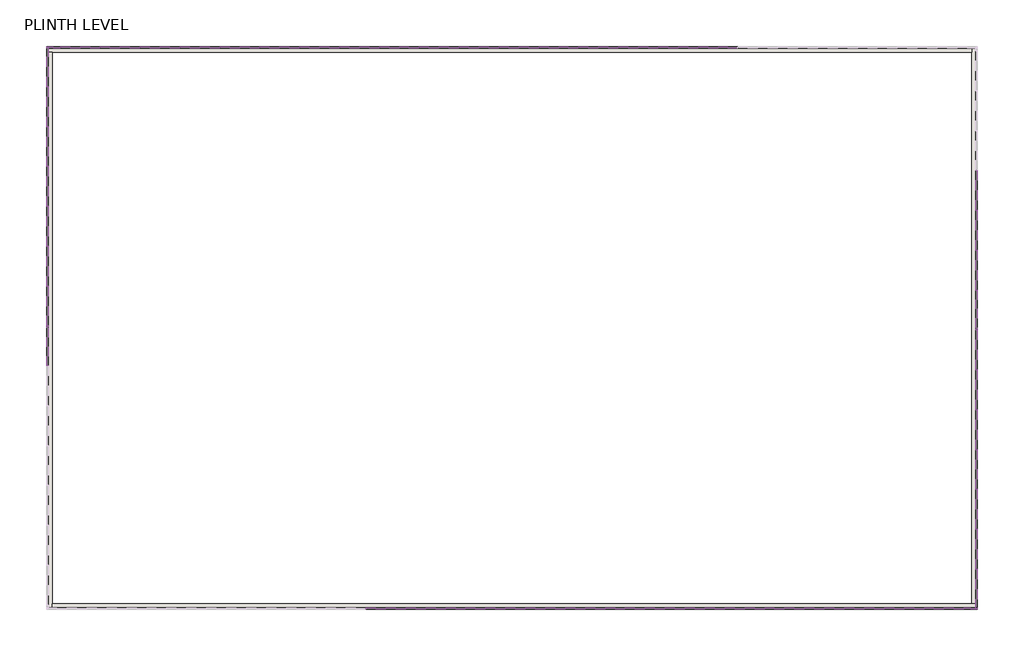
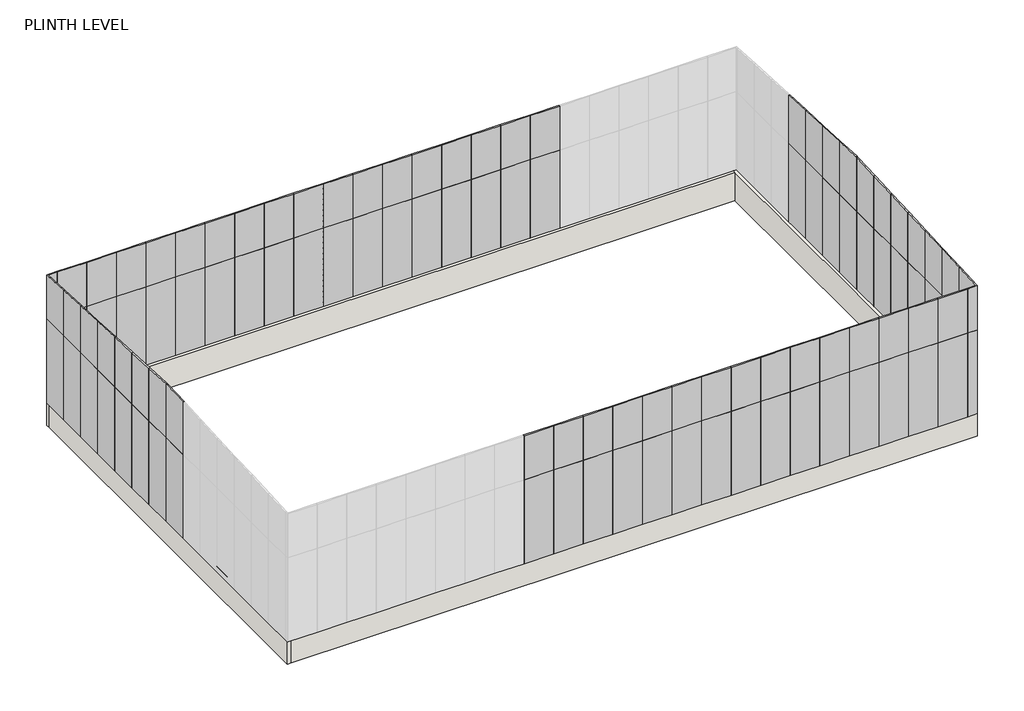
# One storey, part 3 of 10: 106 plates, 4 walls.
"""IFC4 building model written with IfcOpenShell, lengths in millimetres."""

import ifcopenshell
import ifcopenshell.guid

model = None  # the IFC model being written
_history = None  # IfcOwnerHistory: only IFC2X3 demands one
_inside = {}  # id of a spatial element -> (the spatial element, [elements in it])
_under = {}  # id of a project, library or spatial element -> (it, [spatial elements below it])
_declared = {}  # id of a project -> (the project, [libraries it declares])
_typed = {}  # id of a type object -> (the type object, [elements of that type])
_made_of = {}  # id of a material, layer set ... -> (it, [elements and type objects made of it])


def new_model(schema):
    """Start an empty IFC model of exactly this schema.

    Asked for "IFC4X3", IfcOpenShell would pick the latest addendum, in which some entities
    have other attributes; the version numbers below select the first issue.
    IFC2X3 requires an IfcOwnerHistory on every rooted entity: one is made here for all.
    """
    global model, _history
    if schema == "IFC4X3":
        model = ifcopenshell.file(schema_version=(4, 3, 0, 0))
    else:
        model = ifcopenshell.file(schema=schema)
    _inside.clear()
    _under.clear()
    _declared.clear()
    _typed.clear()
    _made_of.clear()
    _history = None
    if model.schema == "IFC2X3":
        org = make("IfcOrganization", Name="unknown")
        user = make(
            "IfcPersonAndOrganization",
            ThePerson=make("IfcPerson", FamilyName="unknown"),
            TheOrganization=org,
        )
        app = make(
            "IfcApplication",
            ApplicationDeveloper=org,
            Version="unknown",
            ApplicationFullName="unknown",
            ApplicationIdentifier="unknown",
        )
        _history = make(
            "IfcOwnerHistory",
            OwningUser=user,
            OwningApplication=app,
            ChangeAction="ADDED",
            CreationDate=0,
        )
    return model


def make(cls, **values):
    """One entity of the class cls with the attributes given. An attribute that is None is left unset."""
    return model.create_entity(
        cls, **{name: value for name, value in values.items() if value is not None}
    )


def rooted(cls, **values):
    """An entity with a GlobalId (a new one), such as an element, a storey or a relation."""
    return make(cls, GlobalId=ifcopenshell.guid.new(), OwnerHistory=_history, **values)


def si_unit(unit_type, name, prefix=None):
    """IfcSIUnit, for example si_unit("LENGTHUNIT", "METRE", prefix="MILLI")."""
    return make("IfcSIUnit", UnitType=unit_type, Prefix=prefix, Name=name)


def assignment(units):
    """IfcUnitAssignment: the units of a project."""
    return None if units is None else make("IfcUnitAssignment", Units=units)


def point(xyz):
    """IfcCartesianPoint."""
    return None if xyz is None else make("IfcCartesianPoint", Coordinates=xyz)


def direction(xyz):
    """IfcDirection."""
    return None if xyz is None else make("IfcDirection", DirectionRatios=xyz)


def frame(location, z_axis=None, x_axis=None):
    """IfcAxis2Placement3D, a coordinate frame: its origin and axes. An axis left out is left unset."""
    return make(
        "IfcAxis2Placement3D",
        Location=point(location),
        Axis=direction(z_axis),
        RefDirection=direction(x_axis),
    )


def origin():
    """The frame at (0, 0, 0) with its axes left unset."""
    return frame((0.0, 0.0, 0.0))


def origin_with_axes():
    """The frame at (0, 0, 0) with the z axis (0, 0, 1) and the x axis (1, 0, 0) written out."""
    return frame((0.0, 0.0, 0.0), z_axis=(0.0, 0.0, 1.0), x_axis=(1.0, 0.0, 0.0))


def place(relative_to, where):
    """IfcLocalPlacement: puts the frame where relative to a parent placement (None: the world)."""
    return make(
        "IfcLocalPlacement", PlacementRelTo=relative_to, RelativePlacement=where
    )


def context(
    kind, dimensions, precision=None, world=None, true_north=None, identifier=None
):
    """IfcGeometricRepresentationContext, for example the 3D "Model" context."""
    return make(
        "IfcGeometricRepresentationContext",
        ContextIdentifier=identifier,
        ContextType=kind,
        CoordinateSpaceDimension=dimensions,
        Precision=precision,
        WorldCoordinateSystem=world,
        TrueNorth=true_north,
    )


def project(units=None, contexts=None):
    """IfcProject with its units and contexts."""
    return rooted(
        "IfcProject",
        Name="project",
        RepresentationContexts=contexts,
        UnitsInContext=assignment(units),
    )


def spatial(cls, under=None, at=None, **own):
    """A site, building, storey or space (cls), placed at a placement, below another one or the project."""
    s = rooted(cls, ObjectPlacement=at, **own)
    if under is not None:
        _under.setdefault(under.id(), (under, []))[1].append(s)
    return s


def polyline(points):
    """IfcPolyline through the points."""
    return make("IfcPolyline", Points=[point(p) for p in points])


def outline(outer, holes=None, kind="AREA"):
    """IfcArbitraryClosedProfileDef: a profile drawn as a closed curve; with holes, ...WithVoids."""
    if holes is None:
        return make("IfcArbitraryClosedProfileDef", ProfileType=kind, OuterCurve=outer)
    return make(
        "IfcArbitraryProfileDefWithVoids",
        ProfileType=kind,
        OuterCurve=outer,
        InnerCurves=holes,
    )


def extrude(swept, where, along, depth):
    """IfcExtrudedAreaSolid: the profile swept, set in the frame where, extruded along a direction by depth."""
    return make(
        "IfcExtrudedAreaSolid",
        SweptArea=swept,
        Position=where,
        ExtrudedDirection=direction(along),
        Depth=depth,
    )


def faces_of(points, faces, orient=None, outer=None):
    """IfcFace entities. A face is a list of loops; a loop is a list of indices into points, from 0.

    orient and outer hold one flag for each loop. By default every Orientation is true, the
    first loop of a face is its IfcFaceOuterBound and the others are IfcFaceBound.
    """
    made = []
    for i, loops in enumerate(faces):
        bounds = []
        for j, loop in enumerate(loops):
            is_outer = j == 0 if outer is None else outer[i][j]
            bounds.append(
                make(
                    "IfcFaceOuterBound" if is_outer else "IfcFaceBound",
                    Bound=make("IfcPolyLoop", Polygon=[points[k] for k in loop]),
                    Orientation=True if orient is None else orient[i][j],
                )
            )
        made.append(make("IfcFace", Bounds=bounds))
    return made


def faceted_brep(points, faces, orient=None, outer=None, voids=None):
    """IfcFacetedBrep: a solid bounded by flat faces; with voids (closed shells), ...WithVoids."""
    shared = [point(p) for p in points]
    hull = make("IfcClosedShell", CfsFaces=faces_of(shared, faces, orient, outer))
    if voids is None:
        return make("IfcFacetedBrep", Outer=hull)
    return make(
        "IfcFacetedBrepWithVoids",
        Outer=hull,
        Voids=[
            make(cls, CfsFaces=faces_of(shared, fs, o, b)) for cls, fs, o, b in voids
        ],
    )


def shape(context_of_items, identifier, shape_type, items):
    """IfcShapeRepresentation: the items that make up one representation, for example the "Body"."""
    return make(
        "IfcShapeRepresentation",
        ContextOfItems=context_of_items,
        RepresentationIdentifier=identifier,
        RepresentationType=shape_type,
        Items=items,
    )


def source(mapping_origin, context_of_items, identifier, shape_type, items):
    """IfcRepresentationMap: a shape defined once, which mapped items show again and again."""
    return make(
        "IfcRepresentationMap",
        MappingOrigin=mapping_origin,
        MappedRepresentation=shape(context_of_items, identifier, shape_type, items),
    )


def transform(
    local_origin,
    x_axis=None,
    y_axis=None,
    z_axis=None,
    scale=None,
    scale2=None,
    scale3=None,
    uniform=True,
):
    """IfcCartesianTransformationOperator3D, or its non-uniform kind. x_axis, y_axis, z_axis: its Axis1, 2, 3."""
    if uniform:
        return make(
            "IfcCartesianTransformationOperator3D",
            Axis1=direction(x_axis),
            Axis2=direction(y_axis),
            LocalOrigin=point(local_origin),
            Scale=scale,
            Axis3=direction(z_axis),
        )
    return make(
        "IfcCartesianTransformationOperator3DnonUniform",
        Axis1=direction(x_axis),
        Axis2=direction(y_axis),
        LocalOrigin=point(local_origin),
        Scale=scale,
        Axis3=direction(z_axis),
        Scale2=scale2,
        Scale3=scale3,
    )


def mapped(mapping_source, mapping_target):
    """IfcMappedItem: shows the shape of a source again, moved by a transform."""
    return make(
        "IfcMappedItem", MappingSource=mapping_source, MappingTarget=mapping_target
    )


def made_of(thing, what):
    """Note that an element or type object is made of a material, layer set ...; save() writes the relation."""
    if what is not None:
        _made_of.setdefault(what.id(), (what, []))[1].append(thing)
    return thing


def element(
    cls,
    number,
    at=None,
    inside=None,
    cuts=None,
    type_object=None,
    material=None,
    context=None,
    identifier="Body",
    shape_type=None,
    held_by="IfcProductDefinitionShape",
    body=None,
    shapes=None,
    **own,
):
    """One element of the class cls, such as IfcWall. Its Tag is "e" and its number.

    at: its placement. inside: the storey or other place that contains it. cuts: it is an
    opening in that element (IfcRelVoidsElement). A single representation is given by context,
    identifier, shape_type and body (its items); several are given by shapes. held_by: the class
    of the entity that holds the representations. save() writes the other relations.
    """
    e = rooted(cls, Tag="e%d" % number, ObjectPlacement=at, **own)
    if body is not None:
        shapes = [shape(context, identifier, shape_type, body)]
    if shapes is not None:
        e.Representation = make(held_by, Representations=shapes)
    if inside is not None:
        _inside.setdefault(inside.id(), (inside, []))[1].append(e)
    if cuts is not None:
        rooted(
            "IfcRelVoidsElement", RelatingBuildingElement=cuts, RelatedOpeningElement=e
        )
    if type_object is not None:
        _typed.setdefault(type_object.id(), (type_object, []))[1].append(e)
    return made_of(e, material)


def aggregate(whole, parts):
    """IfcRelAggregates: a whole, such as a stair, and the parts it consists of."""
    return rooted("IfcRelAggregates", RelatingObject=whole, RelatedObjects=parts)


def save(model, path):
    """Write the relations noted so far, then the file.

    IfcRelAggregates (storeys below a building ...), IfcRelContainedInSpatialStructure (elements
    in a storey), IfcRelDefinesByType, IfcRelAssociatesMaterial and IfcRelDeclares: one each for
    every whole, place, type object, material and project.
    """
    for whole, parts in _under.values():
        aggregate(whole, parts)
    for where, things in _inside.values():
        rooted(
            "IfcRelContainedInSpatialStructure",
            RelatedElements=things,
            RelatingStructure=where,
        )
    for kind, things in _typed.values():
        rooted("IfcRelDefinesByType", RelatedObjects=things, RelatingType=kind)
    for what, things in _made_of.values():
        rooted("IfcRelAssociatesMaterial", RelatedObjects=things, RelatingMaterial=what)
    for by, libraries in _declared.values():
        rooted("IfcRelDeclares", RelatingContext=by, RelatedDefinitions=libraries)
    model.write(path)


def system_panel_sheet_cladding_f69c9acc(model_context):
    return source(origin(), model_context, "Body", "SweptSolid", [
        extrude(outline(polyline([(750.0000002, -10.5), (-750.0000002, -10.5), (-750.0000002, 49.5), (750.0000002, 49.5), (750.0000002, -10.5)])), origin_with_axes(), (0.0, 0.0, 1.0), 4500.0),
    ])


def system_panel_sheet_cladding_d5563303(model_context):
    return source(origin(), model_context, "Body", "SweptSolid", [
        extrude(outline(polyline([(249.9999998, -10.5), (-249.9999998, -10.5), (-249.9999998, 49.5), (249.9999998, 49.5), (249.9999998, -10.5)])), origin_with_axes(), (0.0, 0.0, 1.0), 4500.0),
    ])


def system_panel_sheet_cladding_0a04e845(model_context):
    return source(origin(), model_context, "Body", "SweptSolid", [
        extrude(outline(polyline([(750.0000002, -10.5), (-750.0000002, -10.5), (-750.0000002, 49.5), (750.0000002, 49.5), (750.0000002, -10.5)])), origin_with_axes(), (0.0, 0.0, 1.0), 2365.0),
    ])


def system_panel_sheet_cladding_9e41924c(model_context):
    return source(origin(), model_context, "Body", "SweptSolid", [
        extrude(outline(polyline([(249.9999998, -10.5), (-249.9999998, -10.5), (-249.9999998, 49.5), (249.9999998, 49.5), (249.9999998, -10.5)])), origin_with_axes(), (0.0, 0.0, 1.0), 2365.0),
    ])


def system_panel_sheet_cladding_c7ddaf7f(model_context):
    return source(origin(), model_context, "Body", "SweptSolid", [
        extrude(outline(polyline([(0.0, -750.0000002), (0.0, 750.0000002), (2440.0, 750.0000002), (2365.0, -750.0000002), (0.0, -750.0000002)])), frame((0.0, -10.5, 0.0), z_axis=(0.0, 1.0, 0.0), x_axis=(0.0, 0.0, 1.0)), (0.0, 0.0, 1.0), 60.0),
    ])


def system_panel_sheet_cladding_64caa3a7(model_context):
    return source(origin(), model_context, "Body", "SweptSolid", [
        extrude(outline(polyline([(0.0, -750.0), (0.0, 750.0), (2515.0, 750.0), (2440.0, -750.0), (0.0, -750.0)])), frame((0.0, -10.5, 0.0), z_axis=(0.0, 1.0, 0.0), x_axis=(0.0, 0.0, 1.0)), (0.0, 0.0, 1.0), 60.0),
    ])


def system_panel_sheet_cladding_8c1dbbdf(model_context):
    return source(origin(), model_context, "Body", "SweptSolid", [
        extrude(outline(polyline([(0.0, -750.0), (0.0, 750.0), (2590.0, 750.0), (2515.0, -750.0), (0.0, -750.0)])), frame((0.0, -10.5, 0.0), z_axis=(0.0, 1.0, 0.0), x_axis=(0.0, 0.0, 1.0)), (0.0, 0.0, 1.0), 60.0),
    ])


def system_panel_sheet_cladding_f21c981b(model_context):
    return source(origin(), model_context, "Body", "SweptSolid", [
        extrude(outline(polyline([(0.0, -750.0), (0.0, 750.0), (2665.0, 750.0), (2590.0, -750.0), (0.0, -750.0)])), frame((0.0, -10.5, 0.0), z_axis=(0.0, 1.0, 0.0), x_axis=(0.0, 0.0, 1.0)), (0.0, 0.0, 1.0), 60.0),
    ])


def system_panel_sheet_cladding_f85c4c4a(model_context):
    return source(origin(), model_context, "Body", "SweptSolid", [
        extrude(outline(polyline([(0.0, -750.0), (0.0, 750.0), (2740.0, 750.0), (2665.0, -750.0), (0.0, -750.0)])), frame((0.0, -10.5, 0.0), z_axis=(0.0, 1.0, 0.0), x_axis=(0.0, 0.0, 1.0)), (0.0, 0.0, 1.0), 60.0),
    ])


def system_panel_sheet_cladding_5dbbf2be(model_context):
    return source(origin(), model_context, "Body", "SweptSolid", [
        extrude(outline(polyline([(0.0, -750.0), (0.0, 750.0), (2815.0, 750.0), (2740.0, -750.0), (0.0, -750.0)])), frame((0.0, -10.5, 0.0), z_axis=(0.0, 1.0, 0.0), x_axis=(0.0, 0.0, 1.0)), (0.0, 0.0, 1.0), 60.0),
    ])


def system_panel_sheet_cladding_2bd3230f(model_context):
    return source(origin(), model_context, "Body", "SweptSolid", [
        extrude(outline(polyline([(0.0, -750.0), (0.0, 750.0), (2890.0, 750.0), (2815.0, -750.0), (0.0, -750.0)])), frame((0.0, -10.5, 0.0), z_axis=(0.0, 1.0, 0.0), x_axis=(0.0, 0.0, 1.0)), (0.0, 0.0, 1.0), 60.0),
    ])


def system_panel_sheet_cladding_3ce75783(model_context):
    return source(origin(), model_context, "Body", "SweptSolid", [
        extrude(outline(polyline([(0.0, -750.0), (0.0, 750.0), (2822.5, 750.0), (2893.75, -675.0000003), (2890.0, -750.0), (0.0, -750.0)])), frame((0.0, -10.5, 0.0), z_axis=(0.0, 1.0, 0.0), x_axis=(0.0, 0.0, 1.0)), (0.0, 0.0, 1.0), 60.0),
    ])


def system_panel_sheet_cladding_72dd9af1(model_context):
    return source(origin(), model_context, "Body", "SweptSolid", [
        extrude(outline(polyline([(0.0, -750.0), (0.0, 750.0), (2747.5, 750.0), (2822.5, -750.0), (0.0, -750.0)])), frame((0.0, -10.5, 0.0), z_axis=(0.0, 1.0, 0.0), x_axis=(0.0, 0.0, 1.0)), (0.0, 0.0, 1.0), 60.0),
    ])


def system_panel_sheet_cladding_80c2ac6c(model_context):
    return source(origin(), model_context, "Body", "SweptSolid", [
        extrude(outline(polyline([(0.0, -750.0), (0.0, 750.0), (2672.5, 750.0), (2747.5, -750.0), (0.0, -750.0)])), frame((0.0, -10.5, 0.0), z_axis=(0.0, 1.0, 0.0), x_axis=(0.0, 0.0, 1.0)), (0.0, 0.0, 1.0), 60.0),
    ])


def system_panel_sheet_cladding_369bc51f(model_context):
    return source(origin(), model_context, "Body", "SweptSolid", [
        extrude(outline(polyline([(0.0, -750.0), (0.0, 750.0), (2597.5, 750.0), (2672.5, -750.0), (0.0, -750.0)])), frame((0.0, -10.5, 0.0), z_axis=(0.0, 1.0, 0.0), x_axis=(0.0, 0.0, 1.0)), (0.0, 0.0, 1.0), 60.0),
    ])


model = new_model("IFC4")

# Units and contexts
model_context = context("Model", 3, world=origin())
ifc_project = project(units=[si_unit("LENGTHUNIT", "METRE", prefix="MILLI")], contexts=[model_context])

# Site, building, storey
site = spatial("IfcSite", under=ifc_project)
building = spatial("IfcBuilding", under=site)
storey = spatial("IfcBuildingStorey", under=building, Name="PLINTH LEVEL", Elevation=1200.0)

# Plates
placement = place(None, origin())
system_panel_sheet_cladding_shape = system_panel_sheet_cladding_f69c9acc(model_context)
element("IfcPlate", 1, ObjectType="System Panel : SHEET CLADDING", at=placement, inside=storey, context=model_context, shape_type="MappedRepresentation", body=[
    mapped(system_panel_sheet_cladding_shape, transform((38045.3711601, -132839.3355261, 900.0), x_axis=(0.0, -1.0, 0.0), y_axis=(1.0, 0.0, 0.0), z_axis=(0.0, 0.0, 1.0))),
])
element("IfcPlate", 2, ObjectType="System Panel : SHEET CLADDING", at=placement, inside=storey, context=model_context, shape_type="MappedRepresentation", body=[
    mapped(system_panel_sheet_cladding_shape, transform((73045.3711601, -152489.3355258, 900.0), x_axis=(0.0, 1.0, 0.0), y_axis=(-1.0, 0.0, 0.0), z_axis=(0.0, 0.0, 1.0))),
])
element("IfcPlate", 3, ObjectType="System Panel : SHEET CLADDING", at=placement, inside=storey, context=model_context, shape_type="MappedRepresentation", body=[
    mapped(system_panel_sheet_cladding_shape, transform((50795.3711604, -153239.335526, 900.0), x_axis=(1.0, 0.0, 0.0), y_axis=(0.0, 1.0, 0.0), z_axis=(0.0, 0.0, 1.0))),
])
element("IfcPlate", 4, ObjectType="System Panel : SHEET CLADDING", at=placement, inside=storey, context=model_context, shape_type="MappedRepresentation", body=[
    mapped(system_panel_sheet_cladding_shape, transform((52295.3711604, -153239.335526, 900.0), x_axis=(1.0, 0.0, 0.0), y_axis=(0.0, 1.0, 0.0), z_axis=(0.0, 0.0, 1.0))),
])
element("IfcPlate", 5, ObjectType="System Panel : SHEET CLADDING", at=placement, inside=storey, context=model_context, shape_type="MappedRepresentation", body=[
    mapped(system_panel_sheet_cladding_shape, transform((53795.3711604, -153239.335526, 900.0), x_axis=(1.0, 0.0, 0.0), y_axis=(0.0, 1.0, 0.0), z_axis=(0.0, 0.0, 1.0))),
])
element("IfcPlate", 6, ObjectType="System Panel : SHEET CLADDING", at=placement, inside=storey, context=model_context, shape_type="MappedRepresentation", body=[
    mapped(system_panel_sheet_cladding_shape, transform((55295.3711604, -153239.335526, 900.0), x_axis=(1.0, 0.0, 0.0), y_axis=(0.0, 1.0, 0.0), z_axis=(0.0, 0.0, 1.0))),
])
element("IfcPlate", 7, ObjectType="System Panel : SHEET CLADDING", at=placement, inside=storey, context=model_context, shape_type="MappedRepresentation", body=[
    mapped(system_panel_sheet_cladding_shape, transform((56795.3711604, -153239.335526, 900.0), x_axis=(1.0, 0.0, 0.0), y_axis=(0.0, 1.0, 0.0), z_axis=(0.0, 0.0, 1.0))),
])
element("IfcPlate", 8, ObjectType="System Panel : SHEET CLADDING", at=placement, inside=storey, context=model_context, shape_type="MappedRepresentation", body=[
    mapped(system_panel_sheet_cladding_shape, transform((58295.3711604, -153239.335526, 900.0), x_axis=(1.0, 0.0, 0.0), y_axis=(0.0, 1.0, 0.0), z_axis=(0.0, 0.0, 1.0))),
])
element("IfcPlate", 9, ObjectType="System Panel : SHEET CLADDING", at=placement, inside=storey, context=model_context, shape_type="MappedRepresentation", body=[
    mapped(system_panel_sheet_cladding_shape, transform((59795.3711604, -153239.335526, 900.0), x_axis=(1.0, 0.0, 0.0), y_axis=(0.0, 1.0, 0.0), z_axis=(0.0, 0.0, 1.0))),
])
element("IfcPlate", 10, ObjectType="System Panel : SHEET CLADDING", at=placement, inside=storey, context=model_context, shape_type="MappedRepresentation", body=[
    mapped(system_panel_sheet_cladding_shape, transform((61295.3711604, -153239.335526, 900.0), x_axis=(1.0, 0.0, 0.0), y_axis=(0.0, 1.0, 0.0), z_axis=(0.0, 0.0, 1.0))),
])
element("IfcPlate", 11, ObjectType="System Panel : SHEET CLADDING", at=placement, inside=storey, context=model_context, shape_type="MappedRepresentation", body=[
    mapped(system_panel_sheet_cladding_shape, transform((62795.3711604, -153239.335526, 900.0), x_axis=(1.0, 0.0, 0.0), y_axis=(0.0, 1.0, 0.0), z_axis=(0.0, 0.0, 1.0))),
])
element("IfcPlate", 12, ObjectType="System Panel : SHEET CLADDING", at=placement, inside=storey, context=model_context, shape_type="MappedRepresentation", body=[
    mapped(system_panel_sheet_cladding_shape, transform((64295.3711604, -153239.335526, 900.0), x_axis=(1.0, 0.0, 0.0), y_axis=(0.0, 1.0, 0.0), z_axis=(0.0, 0.0, 1.0))),
])
element("IfcPlate", 13, ObjectType="System Panel : SHEET CLADDING", at=placement, inside=storey, context=model_context, shape_type="MappedRepresentation", body=[
    mapped(system_panel_sheet_cladding_shape, transform((65795.3711604, -153239.335526, 900.0), x_axis=(1.0, 0.0, 0.0), y_axis=(0.0, 1.0, 0.0), z_axis=(0.0, 0.0, 1.0))),
])
element("IfcPlate", 14, ObjectType="System Panel : SHEET CLADDING", at=placement, inside=storey, context=model_context, shape_type="MappedRepresentation", body=[
    mapped(system_panel_sheet_cladding_shape, transform((67295.3711604, -153239.335526, 900.0), x_axis=(1.0, 0.0, 0.0), y_axis=(0.0, 1.0, 0.0), z_axis=(0.0, 0.0, 1.0))),
])
element("IfcPlate", 15, ObjectType="System Panel : SHEET CLADDING", at=placement, inside=storey, context=model_context, shape_type="MappedRepresentation", body=[
    mapped(system_panel_sheet_cladding_shape, transform((68795.3711604, -153239.335526, 900.0), x_axis=(1.0, 0.0, 0.0), y_axis=(0.0, 1.0, 0.0), z_axis=(0.0, 0.0, 1.0))),
])
element("IfcPlate", 16, ObjectType="System Panel : SHEET CLADDING", at=placement, inside=storey, context=model_context, shape_type="MappedRepresentation", body=[
    mapped(system_panel_sheet_cladding_shape, transform((70295.3711604, -153239.335526, 900.0), x_axis=(1.0, 0.0, 0.0), y_axis=(0.0, 1.0, 0.0), z_axis=(0.0, 0.0, 1.0))),
])
element("IfcPlate", 17, ObjectType="System Panel : SHEET CLADDING", at=placement, inside=storey, context=model_context, shape_type="MappedRepresentation", body=[
    mapped(system_panel_sheet_cladding_shape, transform((71795.3711604, -153239.335526, 900.0), x_axis=(1.0, 0.0, 0.0), y_axis=(0.0, 1.0, 0.0), z_axis=(0.0, 0.0, 1.0))),
])
element("IfcPlate", 18, ObjectType="System Panel : SHEET CLADDING", at=placement, inside=storey, context=model_context, shape_type="MappedRepresentation", body=[
    mapped(system_panel_sheet_cladding_shape, transform((38045.3711601, -134339.3355263, 900.0), x_axis=(0.0, -1.0, 0.0), y_axis=(1.0, 0.0, 0.0), z_axis=(0.0, 0.0, 1.0))),
])
element("IfcPlate", 19, ObjectType="System Panel : SHEET CLADDING", at=placement, inside=storey, context=model_context, shape_type="MappedRepresentation", body=[
    mapped(system_panel_sheet_cladding_shape, transform((38045.3711601, -135839.3355263, 900.0), x_axis=(0.0, -1.0, 0.0), y_axis=(1.0, 0.0, 0.0), z_axis=(0.0, 0.0, 1.0))),
])
element("IfcPlate", 20, ObjectType="System Panel : SHEET CLADDING", at=placement, inside=storey, context=model_context, shape_type="MappedRepresentation", body=[
    mapped(system_panel_sheet_cladding_shape, transform((38045.3711601, -137339.3355263, 900.0), x_axis=(0.0, -1.0, 0.0), y_axis=(1.0, 0.0, 0.0), z_axis=(0.0, 0.0, 1.0))),
])
element("IfcPlate", 21, ObjectType="System Panel : SHEET CLADDING", at=placement, inside=storey, context=model_context, shape_type="MappedRepresentation", body=[
    mapped(system_panel_sheet_cladding_shape, transform((38045.3711601, -138839.3355263, 900.0), x_axis=(0.0, -1.0, 0.0), y_axis=(1.0, 0.0, 0.0), z_axis=(0.0, 0.0, 1.0))),
])
element("IfcPlate", 22, ObjectType="System Panel : SHEET CLADDING", at=placement, inside=storey, context=model_context, shape_type="MappedRepresentation", body=[
    mapped(system_panel_sheet_cladding_shape, transform((38045.3711601, -140339.3355263, 900.0), x_axis=(0.0, -1.0, 0.0), y_axis=(1.0, 0.0, 0.0), z_axis=(0.0, 0.0, 1.0))),
])
element("IfcPlate", 23, ObjectType="System Panel : SHEET CLADDING", at=placement, inside=storey, context=model_context, shape_type="MappedRepresentation", body=[
    mapped(system_panel_sheet_cladding_shape, transform((38045.3711601, -141839.3355263, 900.0), x_axis=(0.0, -1.0, 0.0), y_axis=(1.0, 0.0, 0.0), z_axis=(0.0, 0.0, 1.0))),
])
element("IfcPlate", 24, ObjectType="System Panel : SHEET CLADDING", at=placement, inside=storey, context=model_context, shape_type="MappedRepresentation", body=[
    mapped(system_panel_sheet_cladding_shape, transform((38045.3711601, -143339.3355263, 900.0), x_axis=(0.0, -1.0, 0.0), y_axis=(1.0, 0.0, 0.0), z_axis=(0.0, 0.0, 1.0))),
])
element("IfcPlate", 25, ObjectType="System Panel : SHEET CLADDING", at=placement, inside=storey, context=model_context, shape_type="MappedRepresentation", body=[
    mapped(system_panel_sheet_cladding_shape, transform((63295.3711598, -132089.335526, 900.0), x_axis=(-1.0, 0.0, 0.0), y_axis=(0.0, -1.0, 0.0), z_axis=(0.0, 0.0, 1.0))),
])
element("IfcPlate", 26, ObjectType="System Panel : SHEET CLADDING", at=placement, inside=storey, context=model_context, shape_type="MappedRepresentation", body=[
    mapped(system_panel_sheet_cladding_shape, transform((61795.3711598, -132089.335526, 900.0), x_axis=(-1.0, 0.0, 0.0), y_axis=(0.0, -1.0, 0.0), z_axis=(0.0, 0.0, 1.0))),
])
element("IfcPlate", 27, ObjectType="System Panel : SHEET CLADDING", at=placement, inside=storey, context=model_context, shape_type="MappedRepresentation", body=[
    mapped(system_panel_sheet_cladding_shape, transform((60295.3711598, -132089.335526, 900.0), x_axis=(-1.0, 0.0, 0.0), y_axis=(0.0, -1.0, 0.0), z_axis=(0.0, 0.0, 1.0))),
])
element("IfcPlate", 28, ObjectType="System Panel : SHEET CLADDING", at=placement, inside=storey, context=model_context, shape_type="MappedRepresentation", body=[
    mapped(system_panel_sheet_cladding_shape, transform((58795.3711598, -132089.335526, 900.0), x_axis=(-1.0, 0.0, 0.0), y_axis=(0.0, -1.0, 0.0), z_axis=(0.0, 0.0, 1.0))),
])
element("IfcPlate", 29, ObjectType="System Panel : SHEET CLADDING", at=placement, inside=storey, context=model_context, shape_type="MappedRepresentation", body=[
    mapped(system_panel_sheet_cladding_shape, transform((57295.3711598, -132089.335526, 900.0), x_axis=(-1.0, 0.0, 0.0), y_axis=(0.0, -1.0, 0.0), z_axis=(0.0, 0.0, 1.0))),
])
element("IfcPlate", 30, ObjectType="System Panel : SHEET CLADDING", at=placement, inside=storey, context=model_context, shape_type="MappedRepresentation", body=[
    mapped(system_panel_sheet_cladding_shape, transform((55795.3711598, -132089.335526, 900.0), x_axis=(-1.0, 0.0, 0.0), y_axis=(0.0, -1.0, 0.0), z_axis=(0.0, 0.0, 1.0))),
])
element("IfcPlate", 31, ObjectType="System Panel : SHEET CLADDING", at=placement, inside=storey, context=model_context, shape_type="MappedRepresentation", body=[
    mapped(system_panel_sheet_cladding_shape, transform((54295.3711598, -132089.335526, 900.0), x_axis=(-1.0, 0.0, 0.0), y_axis=(0.0, -1.0, 0.0), z_axis=(0.0, 0.0, 1.0))),
])
element("IfcPlate", 32, ObjectType="System Panel : SHEET CLADDING", at=placement, inside=storey, context=model_context, shape_type="MappedRepresentation", body=[
    mapped(system_panel_sheet_cladding_shape, transform((52795.3711598, -132089.335526, 900.0), x_axis=(-1.0, 0.0, 0.0), y_axis=(0.0, -1.0, 0.0), z_axis=(0.0, 0.0, 1.0))),
])
element("IfcPlate", 33, ObjectType="System Panel : SHEET CLADDING", at=placement, inside=storey, context=model_context, shape_type="MappedRepresentation", body=[
    mapped(system_panel_sheet_cladding_shape, transform((51295.3711598, -132089.335526, 900.0), x_axis=(-1.0, 0.0, 0.0), y_axis=(0.0, -1.0, 0.0), z_axis=(0.0, 0.0, 1.0))),
])
element("IfcPlate", 34, ObjectType="System Panel : SHEET CLADDING", at=placement, inside=storey, context=model_context, shape_type="MappedRepresentation", body=[
    mapped(system_panel_sheet_cladding_shape, transform((49795.3711598, -132089.335526, 900.0), x_axis=(-1.0, 0.0, 0.0), y_axis=(0.0, -1.0, 0.0), z_axis=(0.0, 0.0, 1.0))),
])
element("IfcPlate", 35, ObjectType="System Panel : SHEET CLADDING", at=placement, inside=storey, context=model_context, shape_type="MappedRepresentation", body=[
    mapped(system_panel_sheet_cladding_shape, transform((48295.3711598, -132089.335526, 900.0), x_axis=(-1.0, 0.0, 0.0), y_axis=(0.0, -1.0, 0.0), z_axis=(0.0, 0.0, 1.0))),
])
element("IfcPlate", 36, ObjectType="System Panel : SHEET CLADDING", at=placement, inside=storey, context=model_context, shape_type="MappedRepresentation", body=[
    mapped(system_panel_sheet_cladding_shape, transform((46795.3711598, -132089.335526, 900.0), x_axis=(-1.0, 0.0, 0.0), y_axis=(0.0, -1.0, 0.0), z_axis=(0.0, 0.0, 1.0))),
])
element("IfcPlate", 37, ObjectType="System Panel : SHEET CLADDING", at=placement, inside=storey, context=model_context, shape_type="MappedRepresentation", body=[
    mapped(system_panel_sheet_cladding_shape, transform((45295.3711598, -132089.335526, 900.0), x_axis=(-1.0, 0.0, 0.0), y_axis=(0.0, -1.0, 0.0), z_axis=(0.0, 0.0, 1.0))),
])
element("IfcPlate", 38, ObjectType="System Panel : SHEET CLADDING", at=placement, inside=storey, context=model_context, shape_type="MappedRepresentation", body=[
    mapped(system_panel_sheet_cladding_shape, transform((43795.3711598, -132089.335526, 900.0), x_axis=(-1.0, 0.0, 0.0), y_axis=(0.0, -1.0, 0.0), z_axis=(0.0, 0.0, 1.0))),
])
element("IfcPlate", 39, ObjectType="System Panel : SHEET CLADDING", at=placement, inside=storey, context=model_context, shape_type="MappedRepresentation", body=[
    mapped(system_panel_sheet_cladding_shape, transform((42295.3711598, -132089.335526, 900.0), x_axis=(-1.0, 0.0, 0.0), y_axis=(0.0, -1.0, 0.0), z_axis=(0.0, 0.0, 1.0))),
])
element("IfcPlate", 40, ObjectType="System Panel : SHEET CLADDING", at=placement, inside=storey, context=model_context, shape_type="MappedRepresentation", body=[
    mapped(system_panel_sheet_cladding_shape, transform((40795.3711598, -132089.335526, 900.0), x_axis=(-1.0, 0.0, 0.0), y_axis=(0.0, -1.0, 0.0), z_axis=(0.0, 0.0, 1.0))),
])
element("IfcPlate", 41, ObjectType="System Panel : SHEET CLADDING", at=placement, inside=storey, context=model_context, shape_type="MappedRepresentation", body=[
    mapped(system_panel_sheet_cladding_shape, transform((39295.3711598, -132089.335526, 900.0), x_axis=(-1.0, 0.0, 0.0), y_axis=(0.0, -1.0, 0.0), z_axis=(0.0, 0.0, 1.0))),
])
element("IfcPlate", 42, ObjectType="System Panel : SHEET CLADDING", at=placement, inside=storey, context=model_context, shape_type="MappedRepresentation", body=[
    mapped(system_panel_sheet_cladding_shape, transform((73045.3711601, -150989.3355257, 900.0), x_axis=(0.0, 1.0, 0.0), y_axis=(-1.0, 0.0, 0.0), z_axis=(0.0, 0.0, 1.0))),
])
element("IfcPlate", 43, ObjectType="System Panel : SHEET CLADDING", at=placement, inside=storey, context=model_context, shape_type="MappedRepresentation", body=[
    mapped(system_panel_sheet_cladding_shape, transform((73045.3711601, -149489.3355257, 900.0), x_axis=(0.0, 1.0, 0.0), y_axis=(-1.0, 0.0, 0.0), z_axis=(0.0, 0.0, 1.0))),
])
element("IfcPlate", 44, ObjectType="System Panel : SHEET CLADDING", at=placement, inside=storey, context=model_context, shape_type="MappedRepresentation", body=[
    mapped(system_panel_sheet_cladding_shape, transform((73045.3711601, -147989.3355257, 900.0), x_axis=(0.0, 1.0, 0.0), y_axis=(-1.0, 0.0, 0.0), z_axis=(0.0, 0.0, 1.0))),
])
element("IfcPlate", 45, ObjectType="System Panel : SHEET CLADDING", at=placement, inside=storey, context=model_context, shape_type="MappedRepresentation", body=[
    mapped(system_panel_sheet_cladding_shape, transform((73045.3711601, -146489.3355257, 900.0), x_axis=(0.0, 1.0, 0.0), y_axis=(-1.0, 0.0, 0.0), z_axis=(0.0, 0.0, 1.0))),
])
element("IfcPlate", 46, ObjectType="System Panel : SHEET CLADDING", at=placement, inside=storey, context=model_context, shape_type="MappedRepresentation", body=[
    mapped(system_panel_sheet_cladding_shape, transform((73045.3711601, -144989.3355257, 900.0), x_axis=(0.0, 1.0, 0.0), y_axis=(-1.0, 0.0, 0.0), z_axis=(0.0, 0.0, 1.0))),
])
element("IfcPlate", 47, ObjectType="System Panel : SHEET CLADDING", at=placement, inside=storey, context=model_context, shape_type="MappedRepresentation", body=[
    mapped(system_panel_sheet_cladding_shape, transform((73045.3711601, -143489.3355257, 900.0), x_axis=(0.0, 1.0, 0.0), y_axis=(-1.0, 0.0, 0.0), z_axis=(0.0, 0.0, 1.0))),
])
element("IfcPlate", 48, ObjectType="System Panel : SHEET CLADDING", at=placement, inside=storey, context=model_context, shape_type="MappedRepresentation", body=[
    mapped(system_panel_sheet_cladding_shape, transform((73045.3711601, -141989.3355257, 900.0), x_axis=(0.0, 1.0, 0.0), y_axis=(-1.0, 0.0, 0.0), z_axis=(0.0, 0.0, 1.0))),
])
element("IfcPlate", 49, ObjectType="System Panel : SHEET CLADDING", at=placement, inside=storey, context=model_context, shape_type="MappedRepresentation", body=[
    mapped(system_panel_sheet_cladding_shape, transform((73045.3711601, -140489.3355257, 900.0), x_axis=(0.0, 1.0, 0.0), y_axis=(-1.0, 0.0, 0.0), z_axis=(0.0, 0.0, 1.0))),
])
element("IfcPlate", 50, ObjectType="System Panel : SHEET CLADDING", at=placement, inside=storey, context=model_context, shape_type="MappedRepresentation", body=[
    mapped(system_panel_sheet_cladding_shape, transform((73045.3711601, -138989.3355257, 900.0), x_axis=(0.0, 1.0, 0.0), y_axis=(-1.0, 0.0, 0.0), z_axis=(0.0, 0.0, 1.0))),
])
element("IfcPlate", 51, ObjectType="System Panel : SHEET CLADDING", at=placement, inside=storey, context=model_context, shape_type="MappedRepresentation", body=[
    mapped(system_panel_sheet_cladding_shape, transform((73045.3711601, -137489.3355257, 900.0), x_axis=(0.0, 1.0, 0.0), y_axis=(-1.0, 0.0, 0.0), z_axis=(0.0, 0.0, 1.0))),
])
system_panel_sheet_cladding_2_shape = system_panel_sheet_cladding_d5563303(model_context)
element("IfcPlate", 52, ObjectType="System Panel : SHEET CLADDING", at=placement, inside=storey, context=model_context, shape_type="MappedRepresentation", body=[
    mapped(system_panel_sheet_cladding_2_shape, transform((72795.3711603, -153239.335526, 900.0), x_axis=(1.0, 0.0, 0.0), y_axis=(0.0, 1.0, 0.0), z_axis=(0.0, 0.0, 1.0))),
])
element("IfcPlate", 53, ObjectType="System Panel : SHEET CLADDING", at=placement, inside=storey, context=model_context, shape_type="MappedRepresentation", body=[
    mapped(system_panel_sheet_cladding_2_shape, transform((38295.37116, -132089.335526, 900.0), x_axis=(-1.0, 0.0, 0.0), y_axis=(0.0, -1.0, 0.0), z_axis=(0.0, 0.0, 1.0))),
])
system_panel_sheet_cladding_3_shape = system_panel_sheet_cladding_0a04e845(model_context)
element("IfcPlate", 54, ObjectType="System Panel : SHEET CLADDING", at=placement, inside=storey, context=model_context, shape_type="MappedRepresentation", body=[
    mapped(system_panel_sheet_cladding_3_shape, transform((50795.3711604, -153239.335526, 5400.0), x_axis=(1.0, 0.0, 0.0), y_axis=(0.0, 1.0, 0.0), z_axis=(0.0, 0.0, 1.0))),
])
element("IfcPlate", 55, ObjectType="System Panel : SHEET CLADDING", at=placement, inside=storey, context=model_context, shape_type="MappedRepresentation", body=[
    mapped(system_panel_sheet_cladding_3_shape, transform((52295.3711604, -153239.335526, 5400.0), x_axis=(1.0, 0.0, 0.0), y_axis=(0.0, 1.0, 0.0), z_axis=(0.0, 0.0, 1.0))),
])
element("IfcPlate", 56, ObjectType="System Panel : SHEET CLADDING", at=placement, inside=storey, context=model_context, shape_type="MappedRepresentation", body=[
    mapped(system_panel_sheet_cladding_3_shape, transform((53795.3711604, -153239.335526, 5400.0), x_axis=(1.0, 0.0, 0.0), y_axis=(0.0, 1.0, 0.0), z_axis=(0.0, 0.0, 1.0))),
])
element("IfcPlate", 57, ObjectType="System Panel : SHEET CLADDING", at=placement, inside=storey, context=model_context, shape_type="MappedRepresentation", body=[
    mapped(system_panel_sheet_cladding_3_shape, transform((55295.3711604, -153239.335526, 5400.0), x_axis=(1.0, 0.0, 0.0), y_axis=(0.0, 1.0, 0.0), z_axis=(0.0, 0.0, 1.0))),
])
element("IfcPlate", 58, ObjectType="System Panel : SHEET CLADDING", at=placement, inside=storey, context=model_context, shape_type="MappedRepresentation", body=[
    mapped(system_panel_sheet_cladding_3_shape, transform((56795.3711604, -153239.335526, 5400.0), x_axis=(1.0, 0.0, 0.0), y_axis=(0.0, 1.0, 0.0), z_axis=(0.0, 0.0, 1.0))),
])
element("IfcPlate", 59, ObjectType="System Panel : SHEET CLADDING", at=placement, inside=storey, context=model_context, shape_type="MappedRepresentation", body=[
    mapped(system_panel_sheet_cladding_3_shape, transform((58295.3711604, -153239.335526, 5400.0), x_axis=(1.0, 0.0, 0.0), y_axis=(0.0, 1.0, 0.0), z_axis=(0.0, 0.0, 1.0))),
])
element("IfcPlate", 60, ObjectType="System Panel : SHEET CLADDING", at=placement, inside=storey, context=model_context, shape_type="MappedRepresentation", body=[
    mapped(system_panel_sheet_cladding_3_shape, transform((59795.3711604, -153239.335526, 5400.0), x_axis=(1.0, 0.0, 0.0), y_axis=(0.0, 1.0, 0.0), z_axis=(0.0, 0.0, 1.0))),
])
element("IfcPlate", 61, ObjectType="System Panel : SHEET CLADDING", at=placement, inside=storey, context=model_context, shape_type="MappedRepresentation", body=[
    mapped(system_panel_sheet_cladding_3_shape, transform((61295.3711604, -153239.335526, 5400.0), x_axis=(1.0, 0.0, 0.0), y_axis=(0.0, 1.0, 0.0), z_axis=(0.0, 0.0, 1.0))),
])
element("IfcPlate", 62, ObjectType="System Panel : SHEET CLADDING", at=placement, inside=storey, context=model_context, shape_type="MappedRepresentation", body=[
    mapped(system_panel_sheet_cladding_3_shape, transform((62795.3711604, -153239.335526, 5400.0), x_axis=(1.0, 0.0, 0.0), y_axis=(0.0, 1.0, 0.0), z_axis=(0.0, 0.0, 1.0))),
])
element("IfcPlate", 63, ObjectType="System Panel : SHEET CLADDING", at=placement, inside=storey, context=model_context, shape_type="MappedRepresentation", body=[
    mapped(system_panel_sheet_cladding_3_shape, transform((64295.3711604, -153239.335526, 5400.0), x_axis=(1.0, 0.0, 0.0), y_axis=(0.0, 1.0, 0.0), z_axis=(0.0, 0.0, 1.0))),
])
element("IfcPlate", 64, ObjectType="System Panel : SHEET CLADDING", at=placement, inside=storey, context=model_context, shape_type="MappedRepresentation", body=[
    mapped(system_panel_sheet_cladding_3_shape, transform((65795.3711604, -153239.335526, 5400.0), x_axis=(1.0, 0.0, 0.0), y_axis=(0.0, 1.0, 0.0), z_axis=(0.0, 0.0, 1.0))),
])
element("IfcPlate", 65, ObjectType="System Panel : SHEET CLADDING", at=placement, inside=storey, context=model_context, shape_type="MappedRepresentation", body=[
    mapped(system_panel_sheet_cladding_3_shape, transform((67295.3711604, -153239.335526, 5400.0), x_axis=(1.0, 0.0, 0.0), y_axis=(0.0, 1.0, 0.0), z_axis=(0.0, 0.0, 1.0))),
])
element("IfcPlate", 66, ObjectType="System Panel : SHEET CLADDING", at=placement, inside=storey, context=model_context, shape_type="MappedRepresentation", body=[
    mapped(system_panel_sheet_cladding_3_shape, transform((68795.3711604, -153239.335526, 5400.0), x_axis=(1.0, 0.0, 0.0), y_axis=(0.0, 1.0, 0.0), z_axis=(0.0, 0.0, 1.0))),
])
element("IfcPlate", 67, ObjectType="System Panel : SHEET CLADDING", at=placement, inside=storey, context=model_context, shape_type="MappedRepresentation", body=[
    mapped(system_panel_sheet_cladding_3_shape, transform((70295.3711604, -153239.335526, 5400.0), x_axis=(1.0, 0.0, 0.0), y_axis=(0.0, 1.0, 0.0), z_axis=(0.0, 0.0, 1.0))),
])
element("IfcPlate", 68, ObjectType="System Panel : SHEET CLADDING", at=placement, inside=storey, context=model_context, shape_type="MappedRepresentation", body=[
    mapped(system_panel_sheet_cladding_3_shape, transform((71795.3711604, -153239.335526, 5400.0), x_axis=(1.0, 0.0, 0.0), y_axis=(0.0, 1.0, 0.0), z_axis=(0.0, 0.0, 1.0))),
])
element("IfcPlate", 69, ObjectType="System Panel : SHEET CLADDING", at=placement, inside=storey, context=model_context, shape_type="MappedRepresentation", body=[
    mapped(system_panel_sheet_cladding_3_shape, transform((63295.3711598, -132089.335526, 5400.0), x_axis=(-1.0, 0.0, 0.0), y_axis=(0.0, -1.0, 0.0), z_axis=(0.0, 0.0, 1.0))),
])
element("IfcPlate", 70, ObjectType="System Panel : SHEET CLADDING", at=placement, inside=storey, context=model_context, shape_type="MappedRepresentation", body=[
    mapped(system_panel_sheet_cladding_3_shape, transform((61795.3711598, -132089.335526, 5400.0), x_axis=(-1.0, 0.0, 0.0), y_axis=(0.0, -1.0, 0.0), z_axis=(0.0, 0.0, 1.0))),
])
element("IfcPlate", 71, ObjectType="System Panel : SHEET CLADDING", at=placement, inside=storey, context=model_context, shape_type="MappedRepresentation", body=[
    mapped(system_panel_sheet_cladding_3_shape, transform((60295.3711598, -132089.335526, 5400.0), x_axis=(-1.0, 0.0, 0.0), y_axis=(0.0, -1.0, 0.0), z_axis=(0.0, 0.0, 1.0))),
])
element("IfcPlate", 72, ObjectType="System Panel : SHEET CLADDING", at=placement, inside=storey, context=model_context, shape_type="MappedRepresentation", body=[
    mapped(system_panel_sheet_cladding_3_shape, transform((58795.3711598, -132089.335526, 5400.0), x_axis=(-1.0, 0.0, 0.0), y_axis=(0.0, -1.0, 0.0), z_axis=(0.0, 0.0, 1.0))),
])
element("IfcPlate", 73, ObjectType="System Panel : SHEET CLADDING", at=placement, inside=storey, context=model_context, shape_type="MappedRepresentation", body=[
    mapped(system_panel_sheet_cladding_3_shape, transform((57295.3711598, -132089.335526, 5400.0), x_axis=(-1.0, 0.0, 0.0), y_axis=(0.0, -1.0, 0.0), z_axis=(0.0, 0.0, 1.0))),
])
element("IfcPlate", 74, ObjectType="System Panel : SHEET CLADDING", at=placement, inside=storey, context=model_context, shape_type="MappedRepresentation", body=[
    mapped(system_panel_sheet_cladding_3_shape, transform((55795.3711598, -132089.335526, 5400.0), x_axis=(-1.0, 0.0, 0.0), y_axis=(0.0, -1.0, 0.0), z_axis=(0.0, 0.0, 1.0))),
])
element("IfcPlate", 75, ObjectType="System Panel : SHEET CLADDING", at=placement, inside=storey, context=model_context, shape_type="MappedRepresentation", body=[
    mapped(system_panel_sheet_cladding_3_shape, transform((54295.3711598, -132089.335526, 5400.0), x_axis=(-1.0, 0.0, 0.0), y_axis=(0.0, -1.0, 0.0), z_axis=(0.0, 0.0, 1.0))),
])
element("IfcPlate", 76, ObjectType="System Panel : SHEET CLADDING", at=placement, inside=storey, context=model_context, shape_type="MappedRepresentation", body=[
    mapped(system_panel_sheet_cladding_3_shape, transform((52795.3711598, -132089.335526, 5400.0), x_axis=(-1.0, 0.0, 0.0), y_axis=(0.0, -1.0, 0.0), z_axis=(0.0, 0.0, 1.0))),
])
element("IfcPlate", 77, ObjectType="System Panel : SHEET CLADDING", at=placement, inside=storey, context=model_context, shape_type="MappedRepresentation", body=[
    mapped(system_panel_sheet_cladding_3_shape, transform((51295.3711598, -132089.335526, 5400.0), x_axis=(-1.0, 0.0, 0.0), y_axis=(0.0, -1.0, 0.0), z_axis=(0.0, 0.0, 1.0))),
])
element("IfcPlate", 78, ObjectType="System Panel : SHEET CLADDING", at=placement, inside=storey, context=model_context, shape_type="MappedRepresentation", body=[
    mapped(system_panel_sheet_cladding_3_shape, transform((49795.3711598, -132089.335526, 5400.0), x_axis=(-1.0, 0.0, 0.0), y_axis=(0.0, -1.0, 0.0), z_axis=(0.0, 0.0, 1.0))),
])
element("IfcPlate", 79, ObjectType="System Panel : SHEET CLADDING", at=placement, inside=storey, context=model_context, shape_type="MappedRepresentation", body=[
    mapped(system_panel_sheet_cladding_3_shape, transform((48295.3711598, -132089.335526, 5400.0), x_axis=(-1.0, 0.0, 0.0), y_axis=(0.0, -1.0, 0.0), z_axis=(0.0, 0.0, 1.0))),
])
element("IfcPlate", 80, ObjectType="System Panel : SHEET CLADDING", at=placement, inside=storey, context=model_context, shape_type="MappedRepresentation", body=[
    mapped(system_panel_sheet_cladding_3_shape, transform((46795.3711598, -132089.335526, 5400.0), x_axis=(-1.0, 0.0, 0.0), y_axis=(0.0, -1.0, 0.0), z_axis=(0.0, 0.0, 1.0))),
])
element("IfcPlate", 81, ObjectType="System Panel : SHEET CLADDING", at=placement, inside=storey, context=model_context, shape_type="MappedRepresentation", body=[
    mapped(system_panel_sheet_cladding_3_shape, transform((45295.3711598, -132089.335526, 5400.0), x_axis=(-1.0, 0.0, 0.0), y_axis=(0.0, -1.0, 0.0), z_axis=(0.0, 0.0, 1.0))),
])
element("IfcPlate", 82, ObjectType="System Panel : SHEET CLADDING", at=placement, inside=storey, context=model_context, shape_type="MappedRepresentation", body=[
    mapped(system_panel_sheet_cladding_3_shape, transform((43795.3711598, -132089.335526, 5400.0), x_axis=(-1.0, 0.0, 0.0), y_axis=(0.0, -1.0, 0.0), z_axis=(0.0, 0.0, 1.0))),
])
element("IfcPlate", 83, ObjectType="System Panel : SHEET CLADDING", at=placement, inside=storey, context=model_context, shape_type="MappedRepresentation", body=[
    mapped(system_panel_sheet_cladding_3_shape, transform((42295.3711598, -132089.335526, 5400.0), x_axis=(-1.0, 0.0, 0.0), y_axis=(0.0, -1.0, 0.0), z_axis=(0.0, 0.0, 1.0))),
])
element("IfcPlate", 84, ObjectType="System Panel : SHEET CLADDING", at=placement, inside=storey, context=model_context, shape_type="MappedRepresentation", body=[
    mapped(system_panel_sheet_cladding_3_shape, transform((40795.3711598, -132089.335526, 5400.0), x_axis=(-1.0, 0.0, 0.0), y_axis=(0.0, -1.0, 0.0), z_axis=(0.0, 0.0, 1.0))),
])
element("IfcPlate", 85, ObjectType="System Panel : SHEET CLADDING", at=placement, inside=storey, context=model_context, shape_type="MappedRepresentation", body=[
    mapped(system_panel_sheet_cladding_3_shape, transform((39295.3711598, -132089.335526, 5400.0), x_axis=(-1.0, 0.0, 0.0), y_axis=(0.0, -1.0, 0.0), z_axis=(0.0, 0.0, 1.0))),
])
system_panel_sheet_cladding_4_shape = system_panel_sheet_cladding_9e41924c(model_context)
element("IfcPlate", 86, ObjectType="System Panel : SHEET CLADDING", at=placement, inside=storey, context=model_context, shape_type="MappedRepresentation", body=[
    mapped(system_panel_sheet_cladding_4_shape, transform((72795.3711603, -153239.335526, 5400.0), x_axis=(1.0, 0.0, 0.0), y_axis=(0.0, 1.0, 0.0), z_axis=(0.0, 0.0, 1.0))),
])
element("IfcPlate", 87, ObjectType="System Panel : SHEET CLADDING", at=placement, inside=storey, context=model_context, shape_type="MappedRepresentation", body=[
    mapped(system_panel_sheet_cladding_4_shape, transform((38295.37116, -132089.335526, 5400.0), x_axis=(-1.0, 0.0, 0.0), y_axis=(0.0, -1.0, 0.0), z_axis=(0.0, 0.0, 1.0))),
])
system_panel_sheet_cladding_5_shape = system_panel_sheet_cladding_c7ddaf7f(model_context)
element("IfcPlate", 88, ObjectType="System Panel : SHEET CLADDING", at=placement, inside=storey, context=model_context, shape_type="MappedRepresentation", body=[
    mapped(system_panel_sheet_cladding_5_shape, transform((38045.3711601, -132839.3355261, 5400.0), x_axis=(0.0, -1.0, 0.0), y_axis=(1.0, 0.0, 0.0), z_axis=(0.0, 0.0, 1.0))),
])
element("IfcPlate", 89, ObjectType="System Panel : SHEET CLADDING", at=placement, inside=storey, context=model_context, shape_type="MappedRepresentation", body=[
    mapped(system_panel_sheet_cladding_5_shape, transform((73045.3711601, -152489.3355258, 5400.0), x_axis=(0.0, 1.0, 0.0), y_axis=(-1.0, 0.0, 0.0), z_axis=(0.0, 0.0, 1.0))),
])
system_panel_sheet_cladding_6_shape = system_panel_sheet_cladding_64caa3a7(model_context)
element("IfcPlate", 90, ObjectType="System Panel : SHEET CLADDING", at=placement, inside=storey, context=model_context, shape_type="MappedRepresentation", body=[
    mapped(system_panel_sheet_cladding_6_shape, transform((38045.3711601, -134339.3355263, 5400.0), x_axis=(0.0, -1.0, 0.0), y_axis=(1.0, 0.0, 0.0), z_axis=(0.0, 0.0, 1.0))),
])
element("IfcPlate", 91, ObjectType="System Panel : SHEET CLADDING", at=placement, inside=storey, context=model_context, shape_type="MappedRepresentation", body=[
    mapped(system_panel_sheet_cladding_6_shape, transform((73045.3711601, -150989.3355257, 5400.0), x_axis=(0.0, 1.0, 0.0), y_axis=(-1.0, 0.0, 0.0), z_axis=(0.0, 0.0, 1.0))),
])
system_panel_sheet_cladding_7_shape = system_panel_sheet_cladding_8c1dbbdf(model_context)
element("IfcPlate", 92, ObjectType="System Panel : SHEET CLADDING", at=placement, inside=storey, context=model_context, shape_type="MappedRepresentation", body=[
    mapped(system_panel_sheet_cladding_7_shape, transform((38045.3711601, -135839.3355263, 5400.0), x_axis=(0.0, -1.0, 0.0), y_axis=(1.0, 0.0, 0.0), z_axis=(0.0, 0.0, 1.0))),
])
element("IfcPlate", 93, ObjectType="System Panel : SHEET CLADDING", at=placement, inside=storey, context=model_context, shape_type="MappedRepresentation", body=[
    mapped(system_panel_sheet_cladding_7_shape, transform((73045.3711601, -149489.3355257, 5400.0), x_axis=(0.0, 1.0, 0.0), y_axis=(-1.0, 0.0, 0.0), z_axis=(0.0, 0.0, 1.0))),
])
system_panel_sheet_cladding_8_shape = system_panel_sheet_cladding_f21c981b(model_context)
element("IfcPlate", 94, ObjectType="System Panel : SHEET CLADDING", at=placement, inside=storey, context=model_context, shape_type="MappedRepresentation", body=[
    mapped(system_panel_sheet_cladding_8_shape, transform((38045.3711601, -137339.3355263, 5400.0), x_axis=(0.0, -1.0, 0.0), y_axis=(1.0, 0.0, 0.0), z_axis=(0.0, 0.0, 1.0))),
])
element("IfcPlate", 95, ObjectType="System Panel : SHEET CLADDING", at=placement, inside=storey, context=model_context, shape_type="MappedRepresentation", body=[
    mapped(system_panel_sheet_cladding_8_shape, transform((73045.3711601, -147989.3355257, 5400.0), x_axis=(0.0, 1.0, 0.0), y_axis=(-1.0, 0.0, 0.0), z_axis=(0.0, 0.0, 1.0))),
])
system_panel_sheet_cladding_9_shape = system_panel_sheet_cladding_f85c4c4a(model_context)
element("IfcPlate", 96, ObjectType="System Panel : SHEET CLADDING", at=placement, inside=storey, context=model_context, shape_type="MappedRepresentation", body=[
    mapped(system_panel_sheet_cladding_9_shape, transform((38045.3711601, -138839.3355263, 5400.0), x_axis=(0.0, -1.0, 0.0), y_axis=(1.0, 0.0, 0.0), z_axis=(0.0, 0.0, 1.0))),
])
element("IfcPlate", 97, ObjectType="System Panel : SHEET CLADDING", at=placement, inside=storey, context=model_context, shape_type="MappedRepresentation", body=[
    mapped(system_panel_sheet_cladding_9_shape, transform((73045.3711601, -146489.3355257, 5400.0), x_axis=(0.0, 1.0, 0.0), y_axis=(-1.0, 0.0, 0.0), z_axis=(0.0, 0.0, 1.0))),
])
system_panel_sheet_cladding_10_shape = system_panel_sheet_cladding_5dbbf2be(model_context)
element("IfcPlate", 98, ObjectType="System Panel : SHEET CLADDING", at=placement, inside=storey, context=model_context, shape_type="MappedRepresentation", body=[
    mapped(system_panel_sheet_cladding_10_shape, transform((38045.3711601, -140339.3355263, 5400.0), x_axis=(0.0, -1.0, 0.0), y_axis=(1.0, 0.0, 0.0), z_axis=(0.0, 0.0, 1.0))),
])
element("IfcPlate", 99, ObjectType="System Panel : SHEET CLADDING", at=placement, inside=storey, context=model_context, shape_type="MappedRepresentation", body=[
    mapped(system_panel_sheet_cladding_10_shape, transform((73045.3711601, -144989.3355257, 5400.0), x_axis=(0.0, 1.0, 0.0), y_axis=(-1.0, 0.0, 0.0), z_axis=(0.0, 0.0, 1.0))),
])
system_panel_sheet_cladding_11_shape = system_panel_sheet_cladding_2bd3230f(model_context)
element("IfcPlate", 100, ObjectType="System Panel : SHEET CLADDING", at=placement, inside=storey, context=model_context, shape_type="MappedRepresentation", body=[
    mapped(system_panel_sheet_cladding_11_shape, transform((38045.3711601, -141839.3355263, 5400.0), x_axis=(0.0, -1.0, 0.0), y_axis=(1.0, 0.0, 0.0), z_axis=(0.0, 0.0, 1.0))),
])
element("IfcPlate", 101, ObjectType="System Panel : SHEET CLADDING", at=placement, inside=storey, context=model_context, shape_type="MappedRepresentation", body=[
    mapped(system_panel_sheet_cladding_11_shape, transform((73045.3711601, -143489.3355257, 5400.0), x_axis=(0.0, 1.0, 0.0), y_axis=(-1.0, 0.0, 0.0), z_axis=(0.0, 0.0, 1.0))),
])
system_panel_sheet_cladding_12_shape = system_panel_sheet_cladding_3ce75783(model_context)
element("IfcPlate", 102, ObjectType="System Panel : SHEET CLADDING", at=placement, inside=storey, context=model_context, shape_type="MappedRepresentation", body=[
    mapped(system_panel_sheet_cladding_12_shape, transform((38045.3711601, -143339.3355263, 5400.0), x_axis=(0.0, -1.0, 0.0), y_axis=(1.0, 0.0, 0.0), z_axis=(0.0, 0.0, 1.0))),
])
element("IfcPlate", 103, ObjectType="System Panel : SHEET CLADDING", at=placement, inside=storey, context=model_context, shape_type="MappedRepresentation", body=[
    mapped(system_panel_sheet_cladding_12_shape, transform((73045.3711601, -141989.3355257, 5400.0), x_axis=(0.0, 1.0, 0.0), y_axis=(-1.0, 0.0, 0.0), z_axis=(0.0, 0.0, 1.0))),
])
system_panel_sheet_cladding_13_shape = system_panel_sheet_cladding_72dd9af1(model_context)
element("IfcPlate", 104, ObjectType="System Panel : SHEET CLADDING", at=placement, inside=storey, context=model_context, shape_type="MappedRepresentation", body=[
    mapped(system_panel_sheet_cladding_13_shape, transform((73045.3711601, -140489.3355257, 5400.0), x_axis=(0.0, 1.0, 0.0), y_axis=(-1.0, 0.0, 0.0), z_axis=(0.0, 0.0, 1.0))),
])
system_panel_sheet_cladding_14_shape = system_panel_sheet_cladding_80c2ac6c(model_context)
element("IfcPlate", 105, ObjectType="System Panel : SHEET CLADDING", at=placement, inside=storey, context=model_context, shape_type="MappedRepresentation", body=[
    mapped(system_panel_sheet_cladding_14_shape, transform((73045.3711601, -138989.3355257, 5400.0), x_axis=(0.0, 1.0, 0.0), y_axis=(-1.0, 0.0, 0.0), z_axis=(0.0, 0.0, 1.0))),
])
system_panel_sheet_cladding_15_shape = system_panel_sheet_cladding_369bc51f(model_context)
element("IfcPlate", 106, ObjectType="System Panel : SHEET CLADDING", at=placement, inside=storey, context=model_context, shape_type="MappedRepresentation", body=[
    mapped(system_panel_sheet_cladding_15_shape, transform((73045.3711601, -137489.3355257, 5400.0), x_axis=(0.0, 1.0, 0.0), y_axis=(-1.0, 0.0, 0.0), z_axis=(0.0, 0.0, 1.0))),
])

# Walls
element("IfcWall", 107, ObjectType="200mm thk AAC Blockwork", at=placement, inside=storey, context=model_context, shape_type="Brep", body=[
    faceted_brep([(38045.3711601, -132289.335526, -300.0), (38245.3711601, -132289.335526, -300.0), (72845.3711601, -132289.335526, -300.0), (72845.3711601, -132289.335526, 1200.0), (38245.3711601, -132289.335526, 1200.0), (38045.3711601, -132289.335526, 1200.0), (38045.3711601, -132089.335526, -300.0), (38045.3711601, -132089.335526, 1200.0), (72845.3711601, -132089.335526, 1200.0), (72845.3711601, -132089.335526, -300.0)], [[[0, 1, 2, 3, 4, 5]], [[6, 7, 8, 9]], [[2, 1, 0, 6, 9]], [[5, 4, 3, 8, 7]], [[0, 5, 7, 6]], [[3, 2, 9, 8]]]),
])
element("IfcWall", 108, ObjectType="200mm thk AAC Blockwork", at=placement, inside=storey, context=model_context, shape_type="Brep", body=[
    faceted_brep([(38245.3711601, -153239.335526, -300.0), (38245.3711601, -153039.335526, -300.0), (38245.3711601, -132289.335526, -300.0), (38245.3711601, -132289.335526, 1200.0), (38245.3711601, -153039.335526, 1200.0), (38245.3711601, -153239.335526, 1200.0), (38045.3711601, -153239.335526, -300.0), (38045.3711601, -153239.335526, 1200.0), (38045.3711601, -132289.335526, 1200.0), (38045.3711601, -132289.335526, -300.0)], [[[0, 1, 2, 3, 4, 5]], [[6, 7, 8, 9]], [[2, 1, 0, 6, 9]], [[5, 4, 3, 8, 7]], [[0, 5, 7, 6]], [[3, 2, 9, 8]]]),
])
element("IfcWall", 109, ObjectType="200mm thk AAC Blockwork", at=placement, inside=storey, context=model_context, shape_type="Brep", body=[
    faceted_brep([(73045.3711601, -153039.335526, -300.0), (72845.3711601, -153039.335526, -300.0), (38245.3711601, -153039.335526, -300.0), (38245.3711601, -153039.335526, 1200.0), (72845.3711601, -153039.335526, 1200.0), (73045.3711601, -153039.335526, 1200.0), (73045.3711601, -153239.335526, -300.0), (73045.3711601, -153239.335526, 1200.0), (38245.3711601, -153239.335526, 1200.0), (38245.3711601, -153239.335526, -300.0)], [[[0, 1, 2, 3, 4, 5]], [[6, 7, 8, 9]], [[2, 1, 0, 6, 9]], [[5, 4, 3, 8, 7]], [[0, 5, 7, 6]], [[3, 2, 9, 8]]]),
])
element("IfcWall", 110, ObjectType="200mm thk AAC Blockwork", at=placement, inside=storey, context=model_context, shape_type="Brep", body=[
    faceted_brep([(72845.3711601, -132089.335526, -300.0), (72845.3711601, -132289.335526, -300.0), (72845.3711601, -153039.335526, -300.0), (72845.3711601, -153039.335526, 1200.0), (72845.3711601, -132289.335526, 1200.0), (72845.3711601, -132089.335526, 1200.0), (73045.3711601, -132089.335526, -300.0), (73045.3711601, -132089.335526, 1200.0), (73045.3711601, -153039.335526, 1200.0), (73045.3711601, -153039.335526, -300.0)], [[[0, 1, 2, 3, 4, 5]], [[6, 7, 8, 9]], [[2, 1, 0, 6, 9]], [[5, 4, 3, 8, 7]], [[0, 5, 7, 6]], [[3, 2, 9, 8]]]),
])

save(model, "model.ifc")
